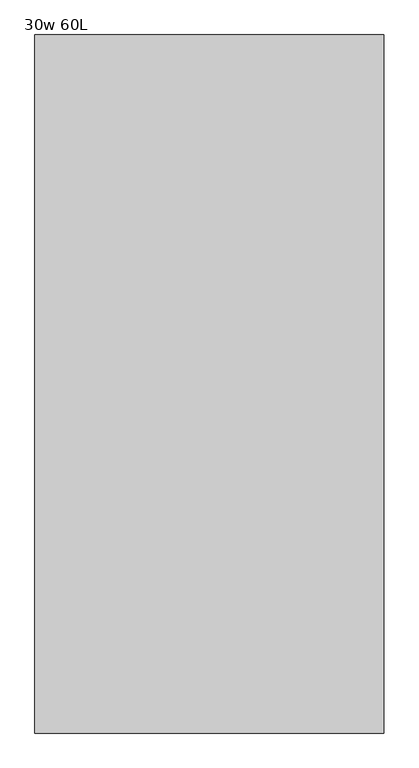
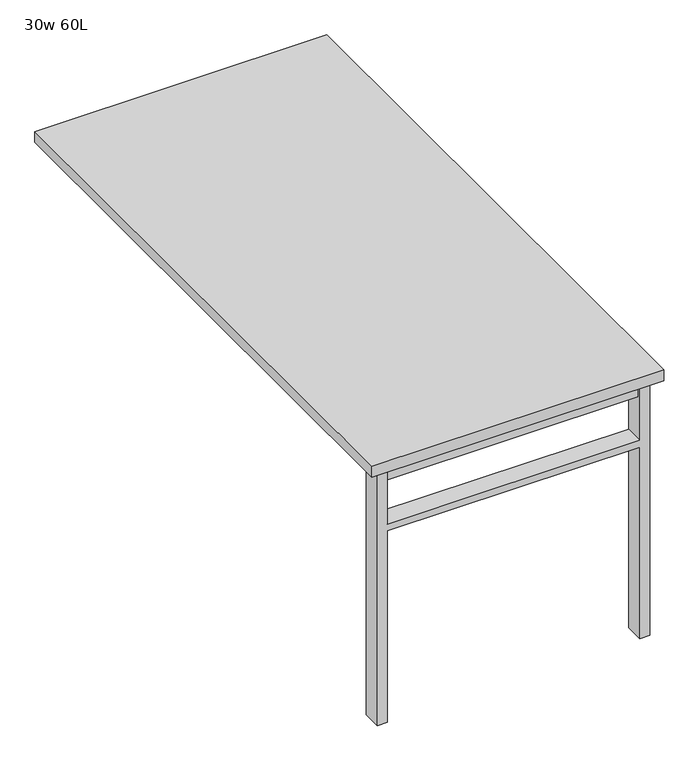
"""IFC4 building model written with IfcOpenShell, lengths in millimetres: furniture geometry, 30w 60L."""

from ifc_helpers import new_model, si_unit, frame, origin, place, context, project, spatial, polyline, outline, extrude, source, transform, mapped, element, save


def furniture_30w_60l_0792742d(model_context):
    return source(origin(), model_context, "Body", "SweptSolid", [
        extrude(outline(polyline([(-330.2, -701.675), (330.2, -701.675), (330.2, -733.425), (-330.2, -733.425), (-330.2, -701.675)])), frame((0.0, 0.0, 661.9875), z_axis=(0.0, 0.0, 1.0), x_axis=(1.0, 0.0, 0.0)), (0.0, 0.0, 1.0), 44.45),
        extrude(outline(polyline([(528.6375, 330.2), (0.0, 330.2), (0.0, 355.6), (706.4375, 355.6), (706.4375, 330.2), (547.6875, 330.2), (547.6875, -330.2), (706.4375, -330.2), (706.4375, -355.6), (0.0, -355.6), (0.0, -330.2), (528.6375, -330.2), (528.6375, 330.2)])), frame((0.0, -742.95, 0.0), z_axis=(0.0, 1.0, 0.0), x_axis=(0.0, 0.0, 1.0)), (0.0, 0.0, 1.0), 50.8),
        extrude(outline(polyline([(-381.0, -762.0), (-381.0, 762.0), (381.0, 762.0), (381.0, -762.0), (-381.0, -762.0)])), frame((0.0, 0.0, 706.4375), z_axis=(0.0, 0.0, 1.0), x_axis=(1.0, 0.0, 0.0)), (0.0, 0.0, 1.0), 30.1625),
    ])


if __name__ == "__main__":
    model = new_model("IFC4")
    model_context = context("Model", 3, world=origin())
    ifc_project = project(units=[si_unit("LENGTHUNIT", "METRE", prefix="MILLI")], contexts=[model_context])
    site = spatial("IfcSite", under=ifc_project)
    building = spatial("IfcBuilding", under=site)
    placement = place(None, origin())
    furniture_30w_60l_shape = furniture_30w_60l_0792742d(model_context)
    element("IfcFurniture", 1, ObjectType="30w 60L", at=placement, inside=building, context=model_context, shape_type="MappedRepresentation", body=[
        mapped(furniture_30w_60l_shape, transform((0.0, 0.0, 0.0), x_axis=(1.0, 0.0, 0.0), y_axis=(0.0, 1.0, 0.0), z_axis=(0.0, 0.0, 1.0))),
    ])
    save(model, "model.ifc")
